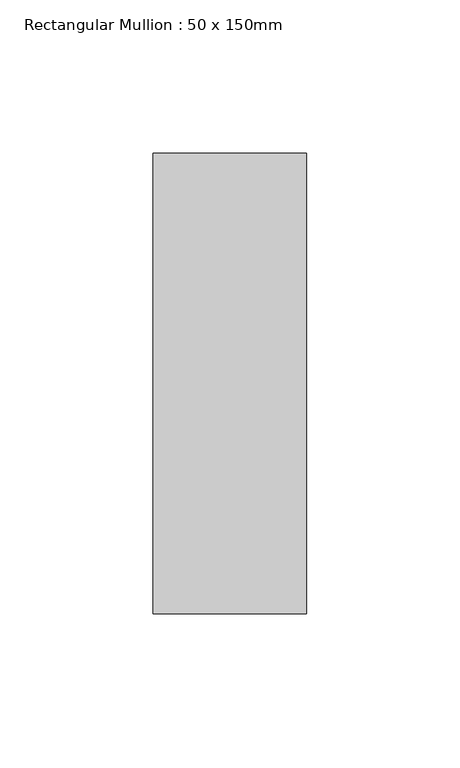
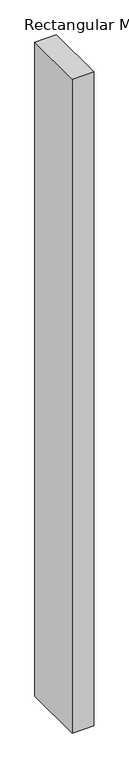
"""IFC4 building model written with IfcOpenShell, lengths in millimetres: member geometry, Rectangular Mullion : 50 x 150mm."""

from ifc_helpers import new_model, si_unit, frame, origin, place, context, project, spatial, polyline, outline, extrude, source, transform, mapped, element, save


def rectangular_mullion_50_x_150mm_f3d1b468(model_context):
    return source(origin(), model_context, "Body", "SweptSolid", [
        extrude(outline(polyline([(0.0, 75.0), (0.0, -75.0), (-50.0, -75.0), (-50.0, 75.0), (0.0, 75.0)])), frame((0.0, 0.0, -1609.0), z_axis=(0.0, 0.0, 1.0), x_axis=(1.0, 0.0, 0.0)), (0.0, 0.0, 1.0), 1609.0),
    ])


if __name__ == "__main__":
    model = new_model("IFC4")
    model_context = context("Model", 3, world=origin())
    ifc_project = project(units=[si_unit("LENGTHUNIT", "METRE", prefix="MILLI")], contexts=[model_context])
    site = spatial("IfcSite", under=ifc_project)
    building = spatial("IfcBuilding", under=site)
    placement = place(None, origin())
    rectangular_mullion_50_x_150mm_shape = rectangular_mullion_50_x_150mm_f3d1b468(model_context)
    element("IfcMember", 1, ObjectType="Rectangular Mullion : 50 x 150mm", at=placement, inside=building, context=model_context, shape_type="MappedRepresentation", body=[
        mapped(rectangular_mullion_50_x_150mm_shape, transform((0.0, 0.0, 0.0), x_axis=(1.0, 0.0, 0.0), y_axis=(0.0, 1.0, 0.0), z_axis=(0.0, 0.0, 1.0))),
    ])
    save(model, "model.ifc")
